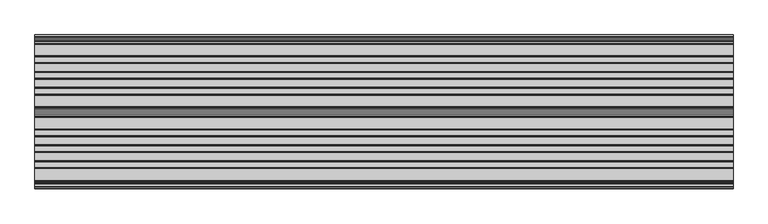
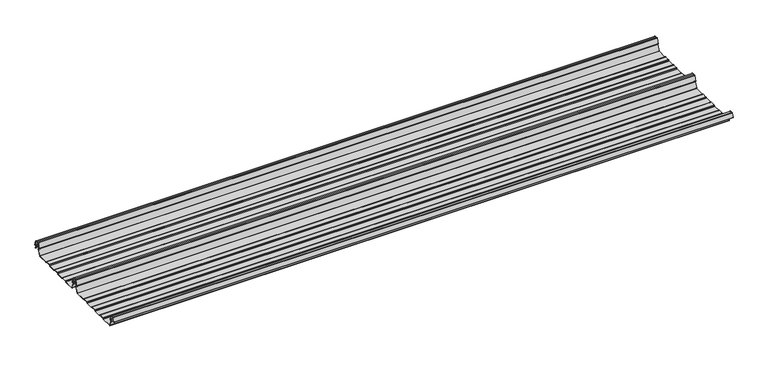
"""IFC4 building model written with IfcOpenShell, lengths in millimetres: beam geometry."""

from ifc_helpers import new_model, si_unit, point, frame, frame_2d, origin, place, context, project, spatial, polyline, circle_curve, trimmed, segment, composite_curve, outline, extrude, source, transform, mapped, element, save


def beam_24c0ef1d(model_context):
    return source(origin(), model_context, "Body", "SweptSolid", [
        extrude(outline(composite_curve([segment(trimmed(circle_curve(frame_2d((-231.1362436, -24.0396475)), 1.75), [point((-231.1362436, -25.7896475))], [point((-232.7807057, -24.6381827))], False, "CARTESIAN"), True, "CONTINUOUS"), segment(polyline([(-232.7807057, -24.6381827), (-241.6888002, -2.1633943)]), True, "CONTINUOUS"), segment(trimmed(circle_curve(frame_2d((-240.0443381, -1.5648591)), 1.75), [point((-241.6888002, -2.1633943))], [point((-240.4972714, 0.1255111))], False, "CARTESIAN"), True, "CONTINUOUS"), segment(polyline([(-240.4972714, 0.1255111), (-237.8419476, 0.837003)]), True, "CONTINUOUS"), segment(trimmed(circle_curve(frame_2d((-238.1654714, 2.0444103)), 1.25), [point((-237.8419476, 0.837003))], [point((-236.9908556, 2.4719355))], True, "CARTESIAN"), True, "CONTINUOUS"), segment(polyline([(-236.9908556, 2.4719355), (-243.8110817, 21.2103525), (-250.0, 21.2103525), (-256.1889183, 21.2103525), (-263.0091444, 2.4719355)]), True, "CONTINUOUS"), segment(trimmed(circle_curve(frame_2d((-261.8345286, 2.0444103)), 1.25), [point((-263.0091444, 2.4719355))], [point((-262.1580524, 0.837003))], True, "CARTESIAN"), True, "CONTINUOUS"), segment(polyline([(-262.1580524, 0.837003), (-259.5027286, 0.1255111)]), True, "CONTINUOUS"), segment(trimmed(circle_curve(frame_2d((-259.9556619, -1.5648591)), 1.75), [point((-259.5027286, 0.1255111))], [point((-258.3111998, -2.1633943))], False, "CARTESIAN"), True, "CONTINUOUS"), segment(polyline([(-258.3111998, -2.1633943), (-267.2192943, -24.6381827)]), True, "CONTINUOUS"), segment(trimmed(circle_curve(frame_2d((-268.8637564, -24.0396475)), 1.75), [point((-267.2192943, -24.6381827))], [point((-268.8637564, -25.7896475))], False, "CARTESIAN"), True, "CONTINUOUS"), segment(polyline([(-268.8637564, -25.7896475), (-307.3786797, -25.7896475)]), True, "CONTINUOUS"), segment(trimmed(circle_curve(frame_2d((-307.3786797, -24.0396475)), 1.75), [point((-307.3786797, -25.7896475))], [point((-308.6161165, -25.2770843))], False, "CARTESIAN"), True, "CONTINUOUS"), segment(polyline([(-308.6161165, -25.2770843), (-310.7788845, -23.1143163)]), True, "CONTINUOUS"), segment(trimmed(circle_curve(frame_2d((-311.5627045, -23.8981363)), 1.1084889), [point((-310.7788845, -23.1143163))], [point((-311.5627045, -22.7896475))], True, "CARTESIAN"), True, "CONTINUOUS"), segment(polyline([(-311.5627045, -22.7896475), (-330.4372955, -22.7896475)]), True, "CONTINUOUS"), segment(trimmed(circle_curve(frame_2d((-330.4372955, -23.8981363)), 1.1084889), [point((-330.4372955, -22.7896475))], [point((-331.2211155, -23.1143163))], True, "CARTESIAN"), True, "CONTINUOUS"), segment(polyline([(-331.2211155, -23.1143163), (-333.3838835, -25.2770843)]), True, "CONTINUOUS"), segment(trimmed(circle_curve(frame_2d((-334.6213203, -24.0396475)), 1.75), [point((-333.3838835, -25.2770843))], [point((-334.6213203, -25.7896475))], False, "CARTESIAN"), True, "CONTINUOUS"), segment(polyline([(-334.6213203, -25.7896475), (-361.3786797, -25.7896475)]), True, "CONTINUOUS"), segment(trimmed(circle_curve(frame_2d((-361.3786797, -24.0396475)), 1.75), [point((-361.3786797, -25.7896475))], [point((-362.6161165, -25.2770843))], False, "CARTESIAN"), True, "CONTINUOUS"), segment(polyline([(-362.6161165, -25.2770843), (-364.7788845, -23.1143163)]), True, "CONTINUOUS"), segment(trimmed(circle_curve(frame_2d((-365.5627045, -23.8981363)), 1.1084889), [point((-364.7788845, -23.1143163))], [point((-365.5627045, -22.7896475))], True, "CARTESIAN"), True, "CONTINUOUS"), segment(polyline([(-365.5627045, -22.7896475), (-384.4372955, -22.7896475)]), True, "CONTINUOUS"), segment(trimmed(circle_curve(frame_2d((-384.4372955, -23.8981363)), 1.1084889), [point((-384.4372955, -22.7896475))], [point((-385.2211155, -23.1143163))], True, "CARTESIAN"), True, "CONTINUOUS"), segment(polyline([(-385.2211155, -23.1143163), (-387.3838835, -25.2770843)]), True, "CONTINUOUS"), segment(trimmed(circle_curve(frame_2d((-388.6213203, -24.0396475)), 1.75), [point((-387.3838835, -25.2770843))], [point((-388.6213203, -25.7896475))], False, "CARTESIAN"), True, "CONTINUOUS"), segment(polyline([(-388.6213203, -25.7896475), (-415.3786797, -25.7896475)]), True, "CONTINUOUS"), segment(trimmed(circle_curve(frame_2d((-415.3786797, -24.0396475)), 1.75), [point((-415.3786797, -25.7896475))], [point((-416.6161165, -25.2770843))], False, "CARTESIAN"), True, "CONTINUOUS"), segment(polyline([(-416.6161165, -25.2770843), (-418.7788845, -23.1143163)]), True, "CONTINUOUS"), segment(trimmed(circle_curve(frame_2d((-419.5627045, -23.8981363)), 1.1084889), [point((-418.7788845, -23.1143163))], [point((-419.5627045, -22.7896475))], True, "CARTESIAN"), True, "CONTINUOUS"), segment(polyline([(-419.5627045, -22.7896475), (-438.4372955, -22.7896475)]), True, "CONTINUOUS"), segment(trimmed(circle_curve(frame_2d((-438.4372955, -23.8981363)), 1.1084889), [point((-438.4372955, -22.7896475))], [point((-439.2211155, -23.1143163))], True, "CARTESIAN"), True, "CONTINUOUS"), segment(polyline([(-439.2211155, -23.1143163), (-441.3838835, -25.2770843)]), True, "CONTINUOUS"), segment(trimmed(circle_curve(frame_2d((-442.6213203, -24.0396475)), 1.75), [point((-441.3838835, -25.2770843))], [point((-442.6213203, -25.7896475))], False, "CARTESIAN"), True, "CONTINUOUS"), segment(polyline([(-442.6213203, -25.7896475), (-483.287616, -25.7896475)]), True, "CONTINUOUS"), segment(trimmed(circle_curve(frame_2d((-483.287616, -24.0396475)), 1.75), [point((-483.287616, -25.7896475))], [point((-484.8955882, -24.7302452))], False, "CARTESIAN"), True, "CONTINUOUS"), segment(polyline([(-484.8955882, -24.7302452), (-493.5565428, -2.8789816)]), True, "CONTINUOUS"), segment(trimmed(circle_curve(frame_2d((-490.0443381, -1.5648591)), 3.75), [point((-493.5565428, -2.8789816))], [point((-490.3464639, 2.1729504))], False, "CARTESIAN"), True, "CONTINUOUS"), segment(trimmed(circle_curve(frame_2d((-490.426413, 3.162057)), 0.9923325), [point((-490.3464639, 2.1729504))], [point((-489.4939255, 3.5014547))], True, "CARTESIAN"), True, "CONTINUOUS"), segment(polyline([(-489.4939255, 3.5014547), (-494.9720116, 18.5523727)]), True, "CONTINUOUS"), segment(trimmed(circle_curve(frame_2d((-495.9117043, 18.2103525)), 1.0), [point((-494.9720116, 18.5523727))], [point((-495.9117043, 19.2103525))], True, "CARTESIAN"), True, "CONTINUOUS"), segment(polyline([(-495.9117043, 19.2103525), (-504.0882957, 19.2103525)]), True, "CONTINUOUS"), segment(trimmed(circle_curve(frame_2d((-504.0882957, 18.2103525)), 1.0), [point((-504.0882957, 19.2103525))], [point((-505.0279884, 18.5523727))], True, "CARTESIAN"), True, "CONTINUOUS"), segment(polyline([(-505.0279884, 18.5523727), (-510.4799156, 3.5733257)]), True, "CONTINUOUS"), segment(trimmed(circle_curve(frame_2d((-510.9497619, 3.7443357)), 0.5), [point((-510.4799156, 3.5733257))], [point((-511.4196082, 3.9153458))], False, "CARTESIAN"), True, "CONTINUOUS"), segment(polyline([(-511.4196082, 3.9153458), (-505.967681, 18.8943928)]), True, "CONTINUOUS"), segment(trimmed(circle_curve(frame_2d((-504.0882957, 18.2103525)), 2.0), [point((-505.967681, 18.8943928))], [point((-504.0882957, 20.2103525))], False, "CARTESIAN"), True, "CONTINUOUS"), segment(polyline([(-504.0882957, 20.2103525), (-495.9117043, 20.2103525)]), True, "CONTINUOUS"), segment(trimmed(circle_curve(frame_2d((-495.9117043, 18.2103525)), 2.0), [point((-495.9117043, 20.2103525))], [point((-494.032319, 18.8943928))], False, "CARTESIAN"), True, "CONTINUOUS"), segment(polyline([(-494.032319, 18.8943928), (-488.5542329, 3.8434749)]), True, "CONTINUOUS"), segment(trimmed(circle_curve(frame_2d((-490.426413, 3.162057)), 1.9923325), [point((-488.5542329, 3.8434749))], [point((-490.265897, 1.1762012))], False, "CARTESIAN"), True, "CONTINUOUS"), segment(trimmed(circle_curve(frame_2d((-490.0443381, -1.5648591)), 2.75), [point((-490.265897, 1.1762012))], [point((-492.6230664, -2.5201915))], True, "CARTESIAN"), True, "CONTINUOUS"), segment(polyline([(-492.6230664, -2.5201915), (-483.9722515, -24.3458733)]), True, "CONTINUOUS"), segment(trimmed(circle_curve(frame_2d((-483.287616, -24.0396475)), 0.75), [point((-483.9722515, -24.3458733))], [point((-483.287616, -24.7896475))], True, "CARTESIAN"), True, "CONTINUOUS"), segment(polyline([(-483.287616, -24.7896475), (-442.7420401, -24.7896475)]), True, "CONTINUOUS"), segment(trimmed(circle_curve(frame_2d((-442.7420401, -23.7482041)), 1.0414433), [point((-442.7420401, -24.7896475))], [point((-442.0056285, -24.4846158))], True, "CARTESIAN"), True, "CONTINUOUS"), segment(polyline([(-442.0056285, -24.4846158), (-439.9696699, -22.4486572)]), True, "CONTINUOUS"), segment(trimmed(circle_curve(frame_2d((-438.3786797, -24.0396475)), 2.25), [point((-439.9696699, -22.4486572))], [point((-438.3786797, -21.7896475))], False, "CARTESIAN"), True, "CONTINUOUS"), segment(polyline([(-438.3786797, -21.7896475), (-419.6213203, -21.7896475)]), True, "CONTINUOUS"), segment(trimmed(circle_curve(frame_2d((-419.6213203, -24.0396475)), 2.25), [point((-419.6213203, -21.7896475))], [point((-418.0303301, -22.4486572))], False, "CARTESIAN"), True, "CONTINUOUS"), segment(polyline([(-418.0303301, -22.4486572), (-415.9943715, -24.4846158)]), True, "CONTINUOUS"), segment(trimmed(circle_curve(frame_2d((-415.2579599, -23.7482041)), 1.0414433), [point((-415.9943715, -24.4846158))], [point((-415.2579599, -24.7896475))], True, "CARTESIAN"), True, "CONTINUOUS"), segment(polyline([(-415.2579599, -24.7896475), (-388.7420401, -24.7896475)]), True, "CONTINUOUS"), segment(trimmed(circle_curve(frame_2d((-388.7420401, -23.7482041)), 1.0414433), [point((-388.7420401, -24.7896475))], [point((-388.0056285, -24.4846158))], True, "CARTESIAN"), True, "CONTINUOUS"), segment(polyline([(-388.0056285, -24.4846158), (-385.9696699, -22.4486572)]), True, "CONTINUOUS"), segment(trimmed(circle_curve(frame_2d((-384.3786797, -24.0396475)), 2.25), [point((-385.9696699, -22.4486572))], [point((-384.3786797, -21.7896475))], False, "CARTESIAN"), True, "CONTINUOUS"), segment(polyline([(-384.3786797, -21.7896475), (-365.6213203, -21.7896475)]), True, "CONTINUOUS"), segment(trimmed(circle_curve(frame_2d((-365.6213203, -24.0396475)), 2.25), [point((-365.6213203, -21.7896475))], [point((-364.0303301, -22.4486572))], False, "CARTESIAN"), True, "CONTINUOUS"), segment(polyline([(-364.0303301, -22.4486572), (-361.9943715, -24.4846158)]), True, "CONTINUOUS"), segment(trimmed(circle_curve(frame_2d((-361.2579599, -23.7482041)), 1.0414433), [point((-361.9943715, -24.4846158))], [point((-361.2579599, -24.7896475))], True, "CARTESIAN"), True, "CONTINUOUS"), segment(polyline([(-361.2579599, -24.7896475), (-334.7420401, -24.7896475)]), True, "CONTINUOUS"), segment(trimmed(circle_curve(frame_2d((-334.7420401, -23.7482041)), 1.0414433), [point((-334.7420401, -24.7896475))], [point((-334.0056285, -24.4846158))], True, "CARTESIAN"), True, "CONTINUOUS"), segment(polyline([(-334.0056285, -24.4846158), (-331.9696699, -22.4486572)]), True, "CONTINUOUS"), segment(trimmed(circle_curve(frame_2d((-330.3786797, -24.0396475)), 2.25), [point((-331.9696699, -22.4486572))], [point((-330.3786797, -21.7896475))], False, "CARTESIAN"), True, "CONTINUOUS"), segment(polyline([(-330.3786797, -21.7896475), (-311.6213203, -21.7896475)]), True, "CONTINUOUS"), segment(trimmed(circle_curve(frame_2d((-311.6213203, -24.0396475)), 2.25), [point((-311.6213203, -21.7896475))], [point((-310.0303301, -22.4486572))], False, "CARTESIAN"), True, "CONTINUOUS"), segment(polyline([(-310.0303301, -22.4486572), (-307.9943715, -24.4846158)]), True, "CONTINUOUS"), segment(trimmed(circle_curve(frame_2d((-307.2579599, -23.7482041)), 1.0414433), [point((-307.9943715, -24.4846158))], [point((-307.2579599, -24.7896475))], True, "CARTESIAN"), True, "CONTINUOUS"), segment(polyline([(-307.2579599, -24.7896475), (-268.8637564, -24.7896475)]), True, "CONTINUOUS"), segment(trimmed(circle_curve(frame_2d((-268.8637564, -24.0396475)), 0.75), [point((-268.8637564, -24.7896475))], [point((-268.1552359, -24.2856122))], True, "CARTESIAN"), True, "CONTINUOUS"), segment(polyline([(-268.1552359, -24.2856122), (-259.2471414, -1.8108238)]), True, "CONTINUOUS"), segment(trimmed(circle_curve(frame_2d((-259.9556619, -1.5648591)), 0.75), [point((-259.2471414, -1.8108238))], [point((-259.7615476, -0.8404147))], True, "CARTESIAN"), True, "CONTINUOUS"), segment(polyline([(-259.7615476, -0.8404147), (-262.4168715, -0.1289228)]), True, "CONTINUOUS"), segment(trimmed(circle_curve(frame_2d((-261.8345286, 2.0444103)), 2.25), [point((-262.4168715, -0.1289228))], [point((-263.948837, 2.8139556))], False, "CARTESIAN"), True, "CONTINUOUS"), segment(polyline([(-263.948837, 2.8139556), (-257.1273286, 21.5558959)]), True, "CONTINUOUS"), segment(trimmed(circle_curve(frame_2d((-256.1926676, 21.2157071)), 0.9946455), [point((-257.1273286, 21.5558959))], [point((-256.1926676, 22.2103525))], False, "CARTESIAN"), True, "CONTINUOUS"), segment(polyline([(-256.1926676, 22.2103525), (-250.0, 22.2103525), (-243.8073324, 22.2103525)]), True, "CONTINUOUS"), segment(trimmed(circle_curve(frame_2d((-243.8073324, 21.2157071)), 0.9946455), [point((-243.8073324, 22.2103525))], [point((-242.8726714, 21.5558959))], False, "CARTESIAN"), True, "CONTINUOUS"), segment(polyline([(-242.8726714, 21.5558959), (-236.051163, 2.8139556)]), True, "CONTINUOUS"), segment(trimmed(circle_curve(frame_2d((-238.1654714, 2.0444103)), 2.25), [point((-236.051163, 2.8139556))], [point((-237.5831285, -0.1289228))], False, "CARTESIAN"), True, "CONTINUOUS"), segment(polyline([(-237.5831285, -0.1289228), (-240.2384524, -0.8404147)]), True, "CONTINUOUS"), segment(trimmed(circle_curve(frame_2d((-240.0443381, -1.5648591)), 0.75), [point((-240.2384524, -0.8404147))], [point((-240.7528586, -1.8108238))], True, "CARTESIAN"), True, "CONTINUOUS"), segment(polyline([(-240.7528586, -1.8108238), (-231.8447641, -24.2856122)]), True, "CONTINUOUS"), segment(trimmed(circle_curve(frame_2d((-231.1362436, -24.0396475)), 0.75), [point((-231.8447641, -24.2856122))], [point((-231.1362436, -24.7896475))], True, "CARTESIAN"), True, "CONTINUOUS"), segment(polyline([(-231.1362436, -24.7896475), (-192.7420401, -24.7896475)]), True, "CONTINUOUS"), segment(trimmed(circle_curve(frame_2d((-192.7420401, -23.7482041)), 1.0414433), [point((-192.7420401, -24.7896475))], [point((-192.0056285, -24.4846158))], True, "CARTESIAN"), True, "CONTINUOUS"), segment(polyline([(-192.0056285, -24.4846158), (-189.9696699, -22.4486572)]), True, "CONTINUOUS"), segment(trimmed(circle_curve(frame_2d((-188.3786797, -24.0396475)), 2.25), [point((-189.9696699, -22.4486572))], [point((-188.3786797, -21.7896475))], False, "CARTESIAN"), True, "CONTINUOUS"), segment(polyline([(-188.3786797, -21.7896475), (-169.6213203, -21.7896475)]), True, "CONTINUOUS"), segment(trimmed(circle_curve(frame_2d((-169.6213203, -24.0396475)), 2.25), [point((-169.6213203, -21.7896475))], [point((-168.0303301, -22.4486572))], False, "CARTESIAN"), True, "CONTINUOUS"), segment(polyline([(-168.0303301, -22.4486572), (-165.9943715, -24.4846158)]), True, "CONTINUOUS"), segment(trimmed(circle_curve(frame_2d((-165.2579599, -23.7482041)), 1.0414433), [point((-165.9943715, -24.4846158))], [point((-165.2579599, -24.7896475))], True, "CARTESIAN"), True, "CONTINUOUS"), segment(polyline([(-165.2579599, -24.7896475), (-138.7420401, -24.7896475)]), True, "CONTINUOUS"), segment(trimmed(circle_curve(frame_2d((-138.7420401, -23.7482041)), 1.0414433), [point((-138.7420401, -24.7896475))], [point((-138.0056285, -24.4846158))], True, "CARTESIAN"), True, "CONTINUOUS"), segment(polyline([(-138.0056285, -24.4846158), (-135.9696699, -22.4486572)]), True, "CONTINUOUS"), segment(trimmed(circle_curve(frame_2d((-134.3786797, -24.0396475)), 2.25), [point((-135.9696699, -22.4486572))], [point((-134.3786797, -21.7896475))], False, "CARTESIAN"), True, "CONTINUOUS"), segment(polyline([(-134.3786797, -21.7896475), (-115.6213203, -21.7896475)]), True, "CONTINUOUS"), segment(trimmed(circle_curve(frame_2d((-115.6213203, -24.0396475)), 2.25), [point((-115.6213203, -21.7896475))], [point((-114.0303301, -22.4486572))], False, "CARTESIAN"), True, "CONTINUOUS"), segment(polyline([(-114.0303301, -22.4486572), (-111.9943715, -24.4846158)]), True, "CONTINUOUS"), segment(trimmed(circle_curve(frame_2d((-111.2579599, -23.7482041)), 1.0414433), [point((-111.9943715, -24.4846158))], [point((-111.2579599, -24.7896475))], True, "CARTESIAN"), True, "CONTINUOUS"), segment(polyline([(-111.2579599, -24.7896475), (-84.7420401, -24.7896475)]), True, "CONTINUOUS"), segment(trimmed(circle_curve(frame_2d((-84.7420401, -23.7482041)), 1.0414433), [point((-84.7420401, -24.7896475))], [point((-84.0056285, -24.4846158))], True, "CARTESIAN"), True, "CONTINUOUS"), segment(polyline([(-84.0056285, -24.4846158), (-81.9696699, -22.4486572)]), True, "CONTINUOUS"), segment(trimmed(circle_curve(frame_2d((-80.3786797, -24.0396475)), 2.25), [point((-81.9696699, -22.4486572))], [point((-80.3786797, -21.7896475))], False, "CARTESIAN"), True, "CONTINUOUS"), segment(polyline([(-80.3786797, -21.7896475), (-61.6213203, -21.7896475)]), True, "CONTINUOUS"), segment(trimmed(circle_curve(frame_2d((-61.6213203, -24.0396475)), 2.25), [point((-61.6213203, -21.7896475))], [point((-60.0303301, -22.4486572))], False, "CARTESIAN"), True, "CONTINUOUS"), segment(polyline([(-60.0303301, -22.4486572), (-57.9943715, -24.4846158)]), True, "CONTINUOUS"), segment(trimmed(circle_curve(frame_2d((-57.2579599, -23.7482041)), 1.0414433), [point((-57.9943715, -24.4846158))], [point((-57.2579599, -24.7896475))], True, "CARTESIAN"), True, "CONTINUOUS"), segment(polyline([(-57.2579599, -24.7896475), (-18.8637564, -24.7896475)]), True, "CONTINUOUS"), segment(trimmed(circle_curve(frame_2d((-18.8637564, -24.0396475)), 0.75), [point((-18.8637564, -24.7896475))], [point((-18.1552359, -24.2856122))], True, "CARTESIAN"), True, "CONTINUOUS"), segment(polyline([(-18.1552359, -24.2856122), (-9.2471414, -1.8108238)]), True, "CONTINUOUS"), segment(trimmed(circle_curve(frame_2d((-9.9556619, -1.5648591)), 0.75), [point((-9.2471414, -1.8108238))], [point((-9.7615476, -0.8404147))], True, "CARTESIAN"), True, "CONTINUOUS"), segment(polyline([(-9.7615476, -0.8404147), (-12.4168715, -0.1289228)]), True, "CONTINUOUS"), segment(trimmed(circle_curve(frame_2d((-11.8345286, 2.0444103)), 2.25), [point((-12.4168715, -0.1289228))], [point((-13.948837, 2.8139556))], False, "CARTESIAN"), True, "CONTINUOUS"), segment(polyline([(-13.948837, 2.8139556), (-7.1273286, 21.5558959)]), True, "CONTINUOUS"), segment(trimmed(circle_curve(frame_2d((-6.1926676, 21.2157071)), 0.9946455), [point((-7.1273286, 21.5558959))], [point((-6.1926676, 22.2103525))], False, "CARTESIAN"), True, "CONTINUOUS"), segment(polyline([(-6.1926676, 22.2103525), (0.0, 22.2103525), (6.1926676, 22.2103525)]), True, "CONTINUOUS"), segment(trimmed(circle_curve(frame_2d((6.1926676, 21.2157071)), 0.9946455), [point((6.1926676, 22.2103525))], [point((7.1273286, 21.5558959))], False, "CARTESIAN"), True, "CONTINUOUS"), segment(polyline([(7.1273286, 21.5558959), (13.948837, 2.8139556)]), True, "CONTINUOUS"), segment(trimmed(circle_curve(frame_2d((11.8345286, 2.0444103)), 2.25), [point((13.948837, 2.8139556))], [point((12.4168715, -0.1289228))], False, "CARTESIAN"), True, "CONTINUOUS"), segment(polyline([(12.4168715, -0.1289228), (9.7615476, -0.8404147)]), True, "CONTINUOUS"), segment(trimmed(circle_curve(frame_2d((9.9556619, -1.5648591)), 0.75), [point((9.7615476, -0.8404147))], [point((9.2471414, -1.8108238))], True, "CARTESIAN"), True, "CONTINUOUS"), segment(polyline([(9.2471414, -1.8108238), (12.5127954, -10.0499465)]), True, "CONTINUOUS"), segment(trimmed(circle_curve(frame_2d((12.0479758, -10.2341821)), 0.5), [point((12.5127954, -10.0499465))], [point((11.5831563, -10.4184177))], False, "CARTESIAN"), True, "CONTINUOUS"), segment(polyline([(11.5831563, -10.4184177), (8.3111998, -2.1633943)]), True, "CONTINUOUS"), segment(trimmed(circle_curve(frame_2d((9.9556619, -1.5648591)), 1.75), [point((8.3111998, -2.1633943))], [point((9.5027286, 0.1255111))], False, "CARTESIAN"), True, "CONTINUOUS"), segment(polyline([(9.5027286, 0.1255111), (12.1580524, 0.837003)]), True, "CONTINUOUS"), segment(trimmed(circle_curve(frame_2d((11.8345286, 2.0444103)), 1.25), [point((12.1580524, 0.837003))], [point((13.0091444, 2.4719355))], True, "CARTESIAN"), True, "CONTINUOUS"), segment(polyline([(13.0091444, 2.4719355), (6.1889183, 21.2103525), (0.0, 21.2103525), (-6.1889183, 21.2103525), (-13.0091444, 2.4719355)]), True, "CONTINUOUS"), segment(trimmed(circle_curve(frame_2d((-11.8345286, 2.0444103)), 1.25), [point((-13.0091444, 2.4719355))], [point((-12.1580524, 0.837003))], True, "CARTESIAN"), True, "CONTINUOUS"), segment(polyline([(-12.1580524, 0.837003), (-9.5027286, 0.1255111)]), True, "CONTINUOUS"), segment(trimmed(circle_curve(frame_2d((-9.9556619, -1.5648591)), 1.75), [point((-9.5027286, 0.1255111))], [point((-8.3111998, -2.1633943))], False, "CARTESIAN"), True, "CONTINUOUS"), segment(polyline([(-8.3111998, -2.1633943), (-17.2192943, -24.6381827)]), True, "CONTINUOUS"), segment(trimmed(circle_curve(frame_2d((-18.8637564, -24.0396475)), 1.75), [point((-17.2192943, -24.6381827))], [point((-18.8637564, -25.7896475))], False, "CARTESIAN"), True, "CONTINUOUS"), segment(polyline([(-18.8637564, -25.7896475), (-57.3786797, -25.7896475)]), True, "CONTINUOUS"), segment(trimmed(circle_curve(frame_2d((-57.3786797, -24.0396475)), 1.75), [point((-57.3786797, -25.7896475))], [point((-58.6161165, -25.2770843))], False, "CARTESIAN"), True, "CONTINUOUS"), segment(polyline([(-58.6161165, -25.2770843), (-60.7788845, -23.1143163)]), True, "CONTINUOUS"), segment(trimmed(circle_curve(frame_2d((-61.5627045, -23.8981363)), 1.1084889), [point((-60.7788845, -23.1143163))], [point((-61.5627045, -22.7896475))], True, "CARTESIAN"), True, "CONTINUOUS"), segment(polyline([(-61.5627045, -22.7896475), (-80.4372955, -22.7896475)]), True, "CONTINUOUS"), segment(trimmed(circle_curve(frame_2d((-80.4372955, -23.8981363)), 1.1084889), [point((-80.4372955, -22.7896475))], [point((-81.2211155, -23.1143163))], True, "CARTESIAN"), True, "CONTINUOUS"), segment(polyline([(-81.2211155, -23.1143163), (-83.3838835, -25.2770843)]), True, "CONTINUOUS"), segment(trimmed(circle_curve(frame_2d((-84.6213203, -24.0396475)), 1.75), [point((-83.3838835, -25.2770843))], [point((-84.6213203, -25.7896475))], False, "CARTESIAN"), True, "CONTINUOUS"), segment(polyline([(-84.6213203, -25.7896475), (-111.3786797, -25.7896475)]), True, "CONTINUOUS"), segment(trimmed(circle_curve(frame_2d((-111.3786797, -24.0396475)), 1.75), [point((-111.3786797, -25.7896475))], [point((-112.6161165, -25.2770843))], False, "CARTESIAN"), True, "CONTINUOUS"), segment(polyline([(-112.6161165, -25.2770843), (-114.7788845, -23.1143163)]), True, "CONTINUOUS"), segment(trimmed(circle_curve(frame_2d((-115.5627045, -23.8981363)), 1.1084889), [point((-114.7788845, -23.1143163))], [point((-115.5627045, -22.7896475))], True, "CARTESIAN"), True, "CONTINUOUS"), segment(polyline([(-115.5627045, -22.7896475), (-134.4372955, -22.7896475)]), True, "CONTINUOUS"), segment(trimmed(circle_curve(frame_2d((-134.4372955, -23.8981363)), 1.1084889), [point((-134.4372955, -22.7896475))], [point((-135.2211155, -23.1143163))], True, "CARTESIAN"), True, "CONTINUOUS"), segment(polyline([(-135.2211155, -23.1143163), (-137.3838835, -25.2770843)]), True, "CONTINUOUS"), segment(trimmed(circle_curve(frame_2d((-138.6213203, -24.0396475)), 1.75), [point((-137.3838835, -25.2770843))], [point((-138.6213203, -25.7896475))], False, "CARTESIAN"), True, "CONTINUOUS"), segment(polyline([(-138.6213203, -25.7896475), (-165.3786797, -25.7896475)]), True, "CONTINUOUS"), segment(trimmed(circle_curve(frame_2d((-165.3786797, -24.0396475)), 1.75), [point((-165.3786797, -25.7896475))], [point((-166.6161165, -25.2770843))], False, "CARTESIAN"), True, "CONTINUOUS"), segment(polyline([(-166.6161165, -25.2770843), (-168.7788845, -23.1143163)]), True, "CONTINUOUS"), segment(trimmed(circle_curve(frame_2d((-169.5627045, -23.8981363)), 1.1084889), [point((-168.7788845, -23.1143163))], [point((-169.5627045, -22.7896475))], True, "CARTESIAN"), True, "CONTINUOUS"), segment(polyline([(-169.5627045, -22.7896475), (-188.4372955, -22.7896475)]), True, "CONTINUOUS"), segment(trimmed(circle_curve(frame_2d((-188.4372955, -23.8981363)), 1.1084889), [point((-188.4372955, -22.7896475))], [point((-189.2211155, -23.1143163))], True, "CARTESIAN"), True, "CONTINUOUS"), segment(polyline([(-189.2211155, -23.1143163), (-191.3838835, -25.2770843)]), True, "CONTINUOUS"), segment(trimmed(circle_curve(frame_2d((-192.6213203, -24.0396475)), 1.75), [point((-191.3838835, -25.2770843))], [point((-192.6213203, -25.7896475))], False, "CARTESIAN"), True, "CONTINUOUS"), segment(polyline([(-192.6213203, -25.7896475), (-231.1362436, -25.7896475)]), True, "CONTINUOUS")], self_intersect=False)), frame((-1191.0835929, 0.0, 0.0), z_axis=(1.0, 0.0, 0.0), x_axis=(0.0, 1.0, 0.0)), (0.0, 0.0, 1.0), 2382.1671859),
    ])


if __name__ == "__main__":
    model = new_model("IFC4")
    model_context = context("Model", 3, world=origin())
    ifc_project = project(units=[si_unit("LENGTHUNIT", "METRE", prefix="MILLI")], contexts=[model_context])
    site = spatial("IfcSite", under=ifc_project)
    building = spatial("IfcBuilding", under=site)
    placement = place(None, origin())
    beam_shape = beam_24c0ef1d(model_context)
    element("IfcBeam", 1, at=placement, inside=building, context=model_context, shape_type="MappedRepresentation", body=[
        mapped(beam_shape, transform((0.0, 0.0, 0.0), x_axis=(1.0, 0.0, 0.0), y_axis=(0.0, 1.0, 0.0), z_axis=(0.0, 0.0, 1.0))),
    ])
    save(model, "model.ifc")
